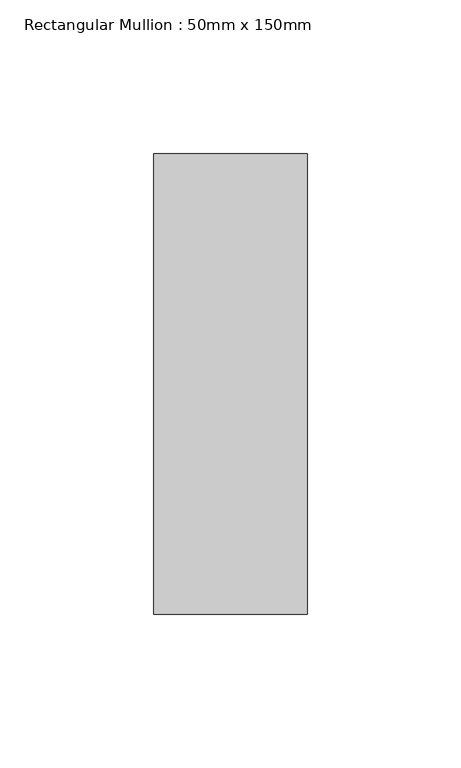
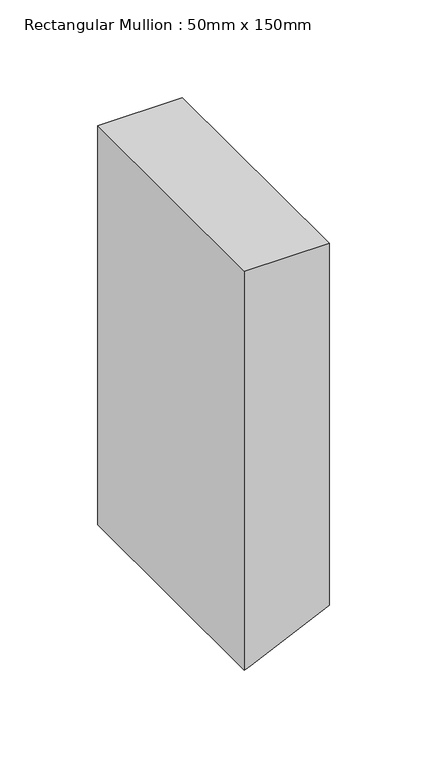
"""IFC4 building model written with IfcOpenShell, lengths in millimetres: member geometry, Rectangular Mullion : 50mm x 150mm."""

from ifc_helpers import new_model, si_unit, frame, origin, place, context, project, spatial, polyline, outline, extrude, source, transform, mapped, element, save


def rectangular_mullion_50mm_x_150mm_7f9911e6(model_context):
    return source(origin(), model_context, "Body", "SweptSolid", [
        extrude(outline(polyline([(0.0, 25.0), (0.0, -25.0), (-249.0289725, -25.0), (-247.1924759, -21.0411824), (-225.8339583, 25.0), (0.0, 25.0)])), frame((0.0, -75.0, 0.0), z_axis=(0.0, 1.0, 0.0), x_axis=(0.0, 0.0, 1.0)), (0.0, 0.0, 1.0), 150.0),
    ])


if __name__ == "__main__":
    model = new_model("IFC4")
    model_context = context("Model", 3, world=origin())
    ifc_project = project(units=[si_unit("LENGTHUNIT", "METRE", prefix="MILLI")], contexts=[model_context])
    site = spatial("IfcSite", under=ifc_project)
    building = spatial("IfcBuilding", under=site)
    placement = place(None, origin())
    rectangular_mullion_50mm_x_150mm_shape = rectangular_mullion_50mm_x_150mm_7f9911e6(model_context)
    element("IfcMember", 1, ObjectType="Rectangular Mullion : 50mm x 150mm", at=placement, inside=building, context=model_context, shape_type="MappedRepresentation", body=[
        mapped(rectangular_mullion_50mm_x_150mm_shape, transform((0.0, 0.0, 0.0), x_axis=(1.0, 0.0, 0.0), y_axis=(0.0, 1.0, 0.0), z_axis=(0.0, 0.0, 1.0))),
    ])
    save(model, "model.ifc")
